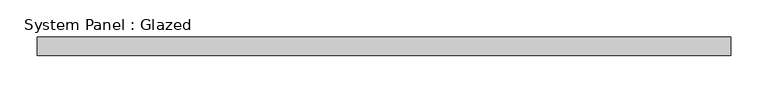
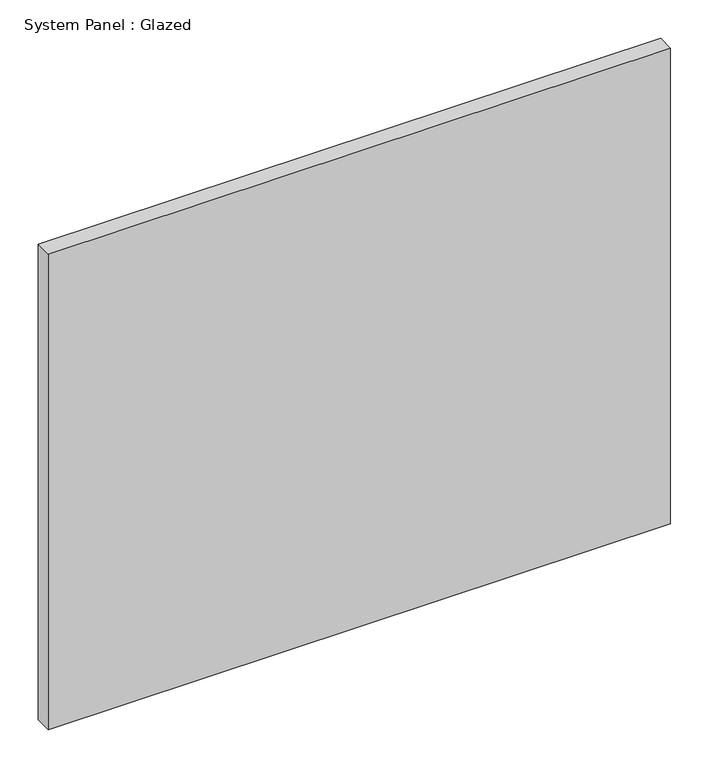
"""IFC4 building model written with IfcOpenShell, lengths in millimetres: plate geometry, System Panel : Glazed."""

from ifc_helpers import new_model, si_unit, origin, origin_with_axes, place, context, project, spatial, polyline, outline, extrude, source, transform, mapped, element, save


def system_panel_glazed_b42e488a(model_context):
    return source(origin(), model_context, "Body", "SweptSolid", [
        extrude(outline(polyline([(468.25, 19.05), (-468.25, 19.05), (-468.25, 44.45), (468.25, 44.45), (468.25, 19.05)])), origin_with_axes(), (0.0, 0.0, 1.0), 756.5),
    ])


if __name__ == "__main__":
    model = new_model("IFC4")
    model_context = context("Model", 3, world=origin())
    ifc_project = project(units=[si_unit("LENGTHUNIT", "METRE", prefix="MILLI")], contexts=[model_context])
    site = spatial("IfcSite", under=ifc_project)
    building = spatial("IfcBuilding", under=site)
    placement = place(None, origin())
    system_panel_glazed_shape = system_panel_glazed_b42e488a(model_context)
    element("IfcPlate", 1, ObjectType="System Panel : Glazed", at=placement, inside=building, context=model_context, shape_type="MappedRepresentation", body=[
        mapped(system_panel_glazed_shape, transform((0.0, 0.0, 0.0), x_axis=(1.0, 0.0, 0.0), y_axis=(0.0, 1.0, 0.0), z_axis=(0.0, 0.0, 1.0))),
    ])
    save(model, "model.ifc")
